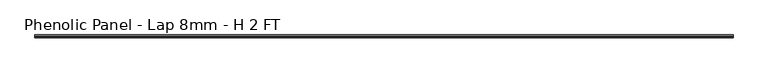
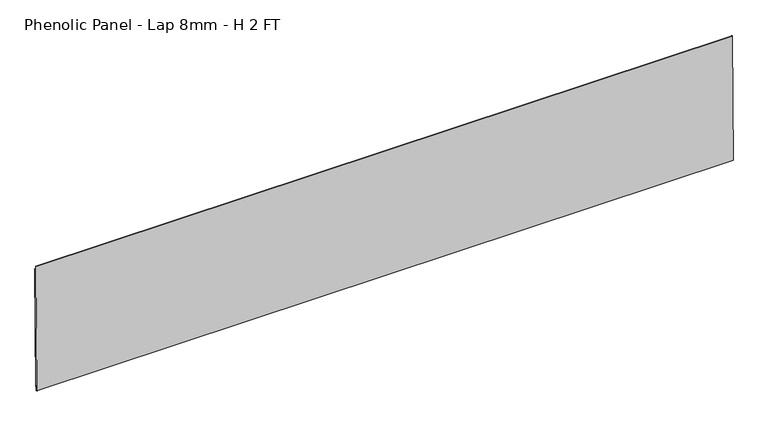
"""IFC4 building model written with IfcOpenShell, lengths in millimetres: proxy geometry, Phenolic Panel - Lap 8mm - H 2 FT."""

from ifc_helpers import new_model, si_unit, frame, origin, place, context, project, spatial, polyline, outline, extrude, source, transform, mapped, element, save


def phenolic_panel_lap_8mm_h_2_ft_377de4c2(model_context):
    return source(origin(), model_context, "Body", "SweptSolid", [
        extrude(outline(polyline([(2.7732555, 593.6735917), (-2.407893, 53.9484596), (-4.7890333, 53.9713176), (-4.71284, 61.9084519), (-7.2924086, 61.9332147), (-7.5209887, 38.1218118), (-9.4914294, 38.1407273), (-10.487757, 39.156369), (-5.0211492, 608.618069), (-4.0055075, 609.6143966), (-2.6240021, 609.6011347), (-2.7763888, 593.7268661), (2.7732555, 593.6735917)])), frame((-1825.625, 0.0, 0.0), z_axis=(1.0, 0.0, 0.0), x_axis=(0.0, 1.0, 0.0)), (0.0, 0.0, 1.0), 3044.825),
    ])


if __name__ == "__main__":
    model = new_model("IFC4")
    model_context = context("Model", 3, world=origin())
    ifc_project = project(units=[si_unit("LENGTHUNIT", "METRE", prefix="MILLI")], contexts=[model_context])
    site = spatial("IfcSite", under=ifc_project)
    building = spatial("IfcBuilding", under=site)
    placement = place(None, origin())
    phenolic_panel_lap_8mm_h_2_ft_shape = phenolic_panel_lap_8mm_h_2_ft_377de4c2(model_context)
    element("IfcBuildingElementProxy", 1, Name="Phenolic Panel - Lap 8mm - H 2 FT", ObjectType="Phenolic Panel - Lap 8mm - H 2 FT", at=placement, inside=building, context=model_context, shape_type="MappedRepresentation", body=[
        mapped(phenolic_panel_lap_8mm_h_2_ft_shape, transform((0.0, 0.0, 0.0), x_axis=(1.0, 0.0, 0.0), y_axis=(0.0, 1.0, 0.0), z_axis=(0.0, 0.0, 1.0))),
    ])
    save(model, "model.ifc")
